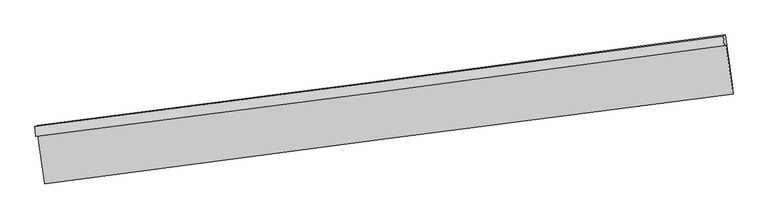
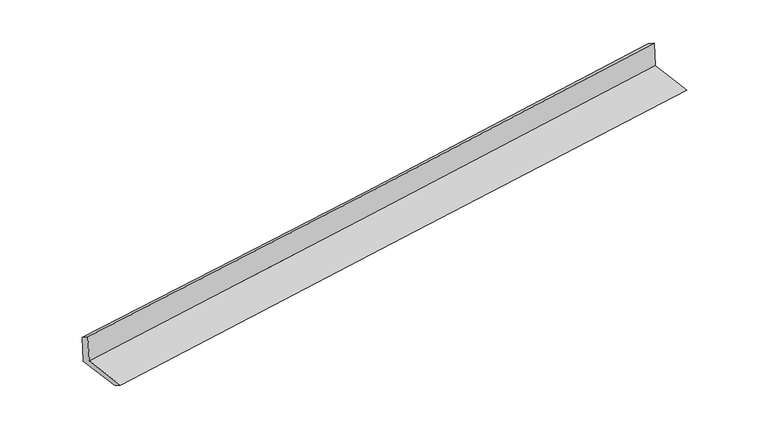
"""IFC4 building model written with IfcOpenShell, lengths in millimetres: proxy geometry."""

from ifc_helpers import new_model, si_unit, frame, origin, place, context, project, spatial, source, transform, mapped, element, save
from ifc_brep_helpers import plane_surface, spline_curve, spline_surface, advanced_brep


def generic_models_365ac8a8(model_context):
    return source(origin(), model_context, "Body", "AdvancedBrep", [
        advanced_brep(
        [(-4757.5834254, -2122.710224, 1916.807051), (-4726.5496858, -2105.5031658, 1503.5390035), (4689.8966084, -865.9413682, 2262.2638934), (4661.1074146, -881.903909, 2645.6419226), (-4768.5129538, -1987.4466167, 1827.9688868), (4650.1778862, -746.6403017, 2556.8037584), (-4738.1057435, -1970.5869457, 1423.0441626), (4678.3405508, -731.0251481, 2181.7690524), (-4646.3399163, -2643.7880492, 1401.9054032), (4771.4563608, -1414.1298288, 2160.3193172), (-4635.3544086, -2774.5186717, 1482.5316734), (4782.4418685, -1544.8604513, 2240.9455874)],
        [
            (0, 1),
            (1, 2, spline_curve(3, [(-4726.5496858, -2105.5031658, 1503.5390035), (-3160.695094337, -1906.098150937, 1629.427025958), (-1595.281134049, -1703.40019457, 1755.419066732), (1543.539308784, -1290.250377816, 2008.326180508), (3116.940779638, -1079.761068799, 2135.242436456), (4689.8966084, -865.9413682, 2262.2638934)], [4, 2, 4], [0.0, 15.585718362194939, 31.259811577331146])),
            (2, 3),
            (3, 0, spline_curve(3, [(4661.1074146, -881.903909, 2645.6419226), (3088.528861262, -1095.514424196, 2513.596384817), (1515.127390408, -1306.003733213, 2386.680128869), (-1624.44547609, -1719.570741328, 2143.79284962), (-3190.607618658, -1922.683536913, 2027.764148011), (-4757.5834254, -2122.710224, 1916.807051)], [4, 2, 4], [0.0, 15.674093215136207, 31.259811577331146])),
            (4, 0),
            (3, 5),
            (5, 4, spline_curve(3, [(4650.1778862, -746.6403017, 2556.8037584), (3077.599332922, -960.250817059, 2424.758220962), (1504.197862264, -1170.740126233, 2297.841965055), (-1635.375004745, -1584.30713351, 2054.954685036), (-3201.537147083, -1787.419929808, 1938.92598383), (-4768.5129538, -1987.4466167, 1827.9688868)], [4, 2, 4], [0.0, 15.674220622846871, 31.260065674392724])),
            (6, 4),
            (5, 7),
            (7, 6, spline_curve(3, [(4678.3405508, -731.0251481, 2181.7690524), (3105.384722038, -944.844848699, 2054.747595456), (1531.983251184, -1155.334157716, 1927.831339608), (-1606.837191649, -1568.48397447, 1674.924225832), (-3172.251152037, -1771.181930837, 1548.932185058), (-4738.1057435, -1970.5869457, 1423.0441626)], [4, 2, 4], [0.0, 15.67409321513621, 31.259811577331153])),
            (8, 6),
            (7, 9),
            (9, 8, spline_curve(3, [(4771.4563608, -1414.1298288, 2160.3193172), (3196.922364228, -1616.371970854, 2033.661399584), (1622.620905017, -1820.258895485, 1906.952460813), (-1516.641906258, -2230.163463967, 1654.147249538), (-3081.605872417, -2436.162613303, 1528.051550044), (-4646.3399163, -2643.7880492, 1401.9054032)], [4, 2, 4], [0.0, 15.674061320242794, 31.259747967376512])),
            (10, 8),
            (9, 11),
            (11, 10, spline_curve(3, [(4782.4418685, -1544.8604513, 2240.9455874), (3207.907871928, -1747.102593354, 2114.287669784), (1633.606412717, -1950.989518085, 1987.578731013), (-1505.656398558, -2360.894086567, 1734.773519738), (-3070.620364717, -2566.893235803, 1608.677820244), (-4635.3544086, -2774.5186717, 1482.5316734)], [4, 2, 4], [0.0, 15.674061320242794, 31.259747967376512])),
            (1, 10),
            (11, 2),
        ],
        [
            spline_surface(3, 3, [[(-4757.5834254, -2122.710224, 1916.807051), (-3190.607618696, -1922.683536975, 2027.764148099), (-1624.445476261, -1719.570741167, 2143.792849415), (1515.12739058, -1306.003733375, 2386.680129075), (3088.52886149, -1095.514424196, 2513.596384949), (4661.1074146, -881.903909, 2645.6419226)], [(-4747.238845549, -2116.974537923, 1779.051035165), (-3180.636777273, -1917.155075002, 1894.9851074), (-1614.72402881, -1714.180558908, 2014.334921854), (1524.598029933, -1300.752614909, 2260.56214618), (3097.999500842, -1090.26330573, 2387.478402053), (4670.703812532, -876.583062063, 2517.84924618)], [(-4736.894265651, -2111.238851877, 1641.295019335), (-3170.665935801, -1911.62661306, 1762.206066706), (-1605.002581357, -1708.790376659, 1884.876994352), (1534.068669288, -1295.501496453, 2134.444163344), (3107.470140198, -1085.012187274, 2261.360419218), (4680.300210468, -871.262215137, 2390.05656982)], [(-4726.5496858, -2105.5031658, 1503.5390035), (-3160.695094378, -1906.098151088, 1629.427026006), (-1595.281133907, -1703.4001944, 1755.419066791), (1543.539308641, -1290.250377987, 2008.326180449), (3116.940779551, -1079.761068808, 2135.242436323), (4689.8966084, -865.9413682, 2262.2638934)]], [4, 4], [4, 2, 4], [0.0, 1.2622905519720116], [0.0, 15.585718362194939, 31.259811577331146]),
            spline_surface(3, 3, [[(-4768.5129538, -1987.4466167, 1827.9688868), (-3201.537147096, -1787.419929675, 1938.925983899), (-1635.375004661, -1584.307133767, 2054.954685215), (1504.19786218, -1170.740125975, 2297.841964875), (3077.59933309, -960.250816896, 2424.758220749), (4650.1778862, -746.6403017, 2556.8037584)], [(-4764.869777664, -2032.534485806, 1857.581608222), (-3197.89397096, -1832.507798781, 1968.538705321), (-1631.731828525, -1629.395002873, 2084.567406637), (1507.841038316, -1215.827995081, 2327.454686297), (3081.242509226, -1005.338686002, 2454.37094217), (4653.821062336, -791.728170806, 2586.416479822)], [(-4761.226601536, -2077.622354894, 1887.194329578), (-3194.250794832, -1877.595667869, 1998.151426678), (-1628.088652397, -1674.482872061, 2114.180127993), (1511.484214444, -1260.915864269, 2357.067407654), (3084.885685354, -1050.42655509, 2483.983663527), (4657.464238464, -836.816039894, 2616.029201178)], [(-4757.5834254, -2122.710224, 1916.807051), (-3190.607618696, -1922.683536975, 2027.764148099), (-1624.445476261, -1719.570741167, 2143.792849415), (1515.12739058, -1306.003733375, 2386.680129075), (3088.52886149, -1095.514424196, 2513.596384949), (4661.1074146, -881.903909, 2645.6419226)]], [4, 4], [4, 2, 4], [0.0, 0.5321429009845181], [0.0, 15.585845051545853, 31.260065674392724]),
            spline_surface(3, 3, [[(-4738.1057435, -1970.5869457, 1423.0441626), (-3172.251152078, -1771.181930988, 1548.932185106), (-1606.837191507, -1568.4839743, 1674.924225891), (1531.983251041, -1155.334157887, 1927.831339549), (3105.384721951, -944.844848708, 2054.747595323), (4678.3405508, -731.0251481, 2181.7690524)], [(-4748.241480264, -1976.206836027, 1558.019070657), (-3182.013150415, -1776.59459721, 1678.930118027), (-1616.349795871, -1573.758360809, 1801.601045673), (1522.721454775, -1160.469480603, 2051.168214666), (3096.122925684, -949.980171424, 2178.084470439), (4668.952995954, -736.230199287, 2306.780621041)], [(-4758.377217036, -1981.826726373, 1692.993978743), (-3191.775148759, -1782.007263452, 1808.928050978), (-1625.862400297, -1579.032747258, 1928.277865432), (1513.459658447, -1165.604803259, 2174.505089759), (3086.861129356, -955.11549418, 2301.421345632), (4659.565441046, -741.435250513, 2431.792189759)], [(-4768.5129538, -1987.4466167, 1827.9688868), (-3201.537147096, -1787.419929675, 1938.925983899), (-1635.375004661, -1584.307133767, 2054.954685215), (1504.19786218, -1170.740125975, 2297.841964875), (3077.59933309, -960.250816896, 2424.758220749), (4650.1778862, -746.6403017, 2556.8037584)]], [4, 4], [4, 2, 4], [0.0, 1.23481672325126], [0.0, 15.585718362194942, 31.259811577331153]),
            plane_surface(frame((-4692.2228299, -2307.1874975, 1412.4747829), z_axis=(0.0748181918117162, 0.04148391401654234, -0.9963339415336072), x_axis=(-0.1349982855912835, 0.9903577144872175, 0.031097592239098203))),
            spline_surface(3, 3, [[(-4635.3544086, -2774.5186717, 1482.5316734), (-3070.620364599, -2566.893235684, 1608.677820123), (-1505.656398357, -2360.894086659, 1734.773519526), (1633.606412515, -1950.989517993, 1987.578731226), (3207.907871983, -1747.102593588, 2114.287669862), (4782.4418685, -1544.8604513, 2240.9455874)], [(-4639.016244523, -2730.941797522, 1455.656249996), (-3074.282200522, -2523.316361505, 1581.802396719), (-1509.31823428, -2317.317212481, 1707.898096122), (1629.944576591, -1907.412643815, 1960.703307821), (3204.24603606, -1703.52571941, 2087.412246458), (4778.780032577, -1501.283577122, 2214.070163996)], [(-4642.678080377, -2687.364923378, 1428.780826604), (-3077.944036375, -2479.739487362, 1554.926973327), (-1512.980070134, -2273.740338237, 1681.022672731), (1626.282740738, -1863.835769571, 1933.82788443), (3200.584200206, -1659.948845266, 2060.536823067), (4775.118196723, -1457.706702978, 2187.194740604)], [(-4646.3399163, -2643.7880492, 1401.9054032), (-3081.605872299, -2436.162613184, 1528.051549923), (-1516.641906057, -2230.163464059, 1654.147249326), (1622.620904815, -1820.258895393, 1906.952461026), (3196.922364283, -1616.371971088, 2033.661399662), (4771.4563608, -1414.1298288, 2160.3193172)]], [4, 4], [4, 2, 4], [0.0, 0.5052043101415629], [0.0, 15.585686647133718, 31.259747967376512]),
            plane_surface(frame((-4680.9520472, -2440.0109188, 1493.0353385), z_axis=(-0.07481819181171545, -0.04148391401654157, 0.9963339415336075), x_axis=(0.13499828559128405, -0.9903577144872175, -0.03109759223909749))),
            plane_surface(frame((4705.5701149, -1030.7501678, 2341.2905886), z_axis=(0.9880170550458327, 0.13217670836241577, 0.07969703071656509), x_axis=(-0.1349982855912835, 0.9903577144872175, 0.031097592239098203))),
            plane_surface(frame((-4712.0743555, -2267.4256122, 1592.6326968), z_axis=(-0.9880170550458314, -0.13217670836242384, -0.07969703071656631), x_axis=(-0.07481819181171526, -0.041483914016542695, 0.9963339415336072))),
        ],
        [
            (0, [[1, 2, 3, 4]]),
            (1, [[5, -4, 6, 7]]),
            (2, [[8, -7, 9, 10]]),
            (3, [[11, -10, 12, 13]]),
            (4, [[14, -13, 15, 16]]),
            (5, [[17, -16, 18, -2]]),
            (6, [[-12, -9, -6, -3, -18, -15]]),
            (7, [[-1, -5, -8, -11, -14, -17]]),
        ],
    ),
    ])


if __name__ == "__main__":
    model = new_model("IFC4")
    model_context = context("Model", 3, world=origin())
    ifc_project = project(units=[si_unit("LENGTHUNIT", "METRE", prefix="MILLI")], contexts=[model_context])
    site = spatial("IfcSite", under=ifc_project)
    building = spatial("IfcBuilding", under=site)
    placement = place(None, origin())
    generic_models_shape = generic_models_365ac8a8(model_context)
    element("IfcBuildingElementProxy", 1, Name="Generic Models", at=placement, inside=building, context=model_context, shape_type="MappedRepresentation", body=[
        mapped(generic_models_shape, transform((0.0, 0.0, 0.0), x_axis=(1.0, 0.0, 0.0), y_axis=(0.0, 1.0, 0.0), z_axis=(0.0, 0.0, 1.0))),
    ])
    save(model, "model.ifc")
